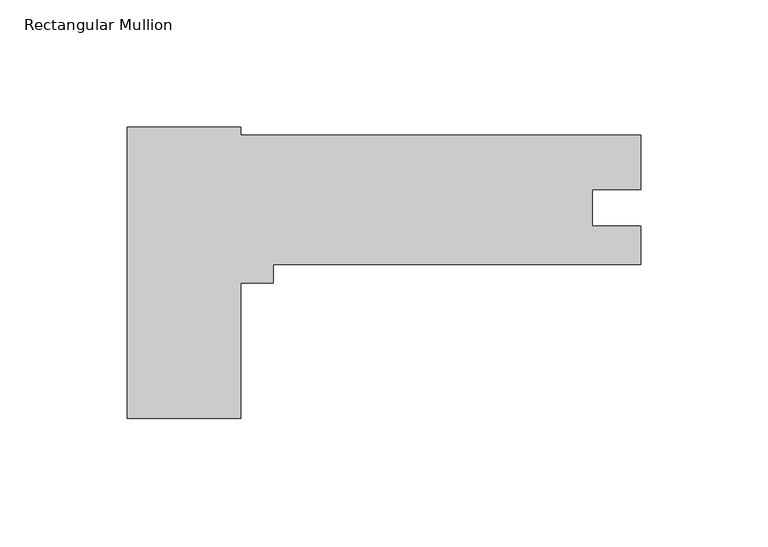
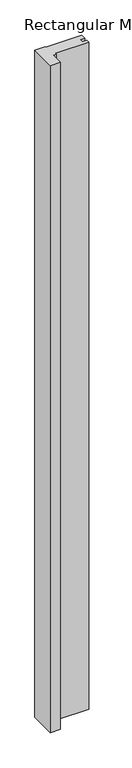
"""IFC4 building model written with IfcOpenShell, lengths in millimetres: member geometry, Rectangular Mullion."""

from ifc_helpers import new_model, si_unit, frame, origin, place, context, project, spatial, polyline, outline, extrude, source, transform, mapped, element, save


def rectangular_mullion_be993b38(model_context):
    return source(origin(), model_context, "Body", "SweptSolid", [
        extrude(outline(polyline([(-156.9720013, 54.1897081), (-156.9720013, 51.0147081), (-1.3e-06, 51.0147081), (-1.3e-06, 29.631707), (-19.0246, 29.631707), (-19.0246, 15.3150081), (0.0, 15.3150081), (0.0, 0.2147081), (-144.2720013, 0.2147081), (-144.2720013, -6.9442819), (-156.9720013, -6.9442819), (-156.9720013, -60.1064819), (-201.4220013, -60.1064819), (-201.4220013, 54.1897081), (-156.9720013, 54.1897081)])), frame((0.0, 0.0, -3048.0), z_axis=(0.0, 0.0, 1.0), x_axis=(1.0, 0.0, 0.0)), (0.0, 0.0, 1.0), 3048.0),
    ])


if __name__ == "__main__":
    model = new_model("IFC4")
    model_context = context("Model", 3, world=origin())
    ifc_project = project(units=[si_unit("LENGTHUNIT", "METRE", prefix="MILLI")], contexts=[model_context])
    site = spatial("IfcSite", under=ifc_project)
    building = spatial("IfcBuilding", under=site)
    placement = place(None, origin())
    rectangular_mullion_shape = rectangular_mullion_be993b38(model_context)
    element("IfcMember", 1, ObjectType="Rectangular Mullion", at=placement, inside=building, context=model_context, shape_type="MappedRepresentation", body=[
        mapped(rectangular_mullion_shape, transform((0.0, 0.0, 0.0), x_axis=(1.0, 0.0, 0.0), y_axis=(0.0, 1.0, 0.0), z_axis=(0.0, 0.0, 1.0))),
    ])
    save(model, "model.ifc")
